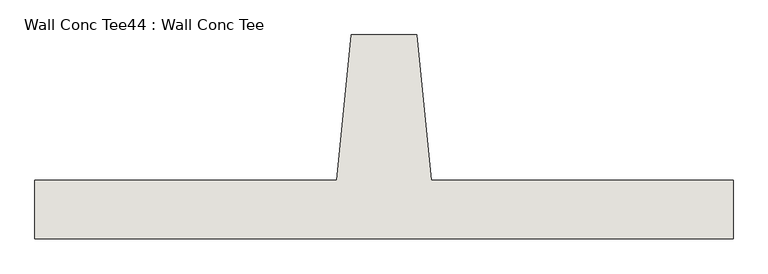
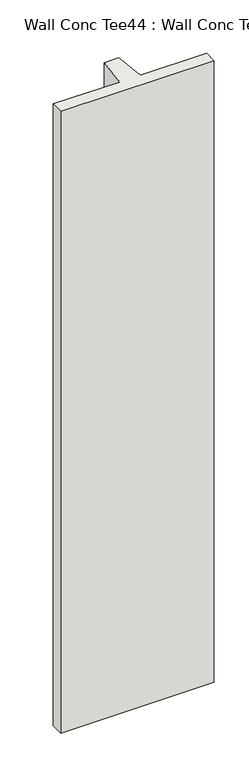
"""IFC4 building model written with IfcOpenShell, lengths in millimetres: wall geometry, Wall Conc Tee44 : Wall Conc Tee."""

import ifcopenshell
import ifcopenshell.guid

model = None  # the IFC model being written
_history = None  # IfcOwnerHistory: only IFC2X3 demands one
_inside = {}  # id of a spatial element -> (the spatial element, [elements in it])
_under = {}  # id of a project, library or spatial element -> (it, [spatial elements below it])
_declared = {}  # id of a project -> (the project, [libraries it declares])
_typed = {}  # id of a type object -> (the type object, [elements of that type])
_made_of = {}  # id of a material, layer set ... -> (it, [elements and type objects made of it])


def new_model(schema):
    """Start an empty IFC model of exactly this schema.

    Asked for "IFC4X3", IfcOpenShell would pick the latest addendum, in which some entities
    have other attributes; the version numbers below select the first issue.
    IFC2X3 requires an IfcOwnerHistory on every rooted entity: one is made here for all.
    """
    global model, _history
    if schema == "IFC4X3":
        model = ifcopenshell.file(schema_version=(4, 3, 0, 0))
    else:
        model = ifcopenshell.file(schema=schema)
    _inside.clear()
    _under.clear()
    _declared.clear()
    _typed.clear()
    _made_of.clear()
    _history = None
    if model.schema == "IFC2X3":
        org = make("IfcOrganization", Name="unknown")
        user = make(
            "IfcPersonAndOrganization",
            ThePerson=make("IfcPerson", FamilyName="unknown"),
            TheOrganization=org,
        )
        app = make(
            "IfcApplication",
            ApplicationDeveloper=org,
            Version="unknown",
            ApplicationFullName="unknown",
            ApplicationIdentifier="unknown",
        )
        _history = make(
            "IfcOwnerHistory",
            OwningUser=user,
            OwningApplication=app,
            ChangeAction="ADDED",
            CreationDate=0,
        )
    return model


def make(cls, **values):
    """One entity of the class cls with the attributes given. An attribute that is None is left unset."""
    return model.create_entity(
        cls, **{name: value for name, value in values.items() if value is not None}
    )


def rooted(cls, **values):
    """An entity with a GlobalId (a new one), such as an element, a storey or a relation."""
    return make(cls, GlobalId=ifcopenshell.guid.new(), OwnerHistory=_history, **values)


def si_unit(unit_type, name, prefix=None):
    """IfcSIUnit, for example si_unit("LENGTHUNIT", "METRE", prefix="MILLI")."""
    return make("IfcSIUnit", UnitType=unit_type, Prefix=prefix, Name=name)


def assignment(units):
    """IfcUnitAssignment: the units of a project."""
    return None if units is None else make("IfcUnitAssignment", Units=units)


def point(xyz):
    """IfcCartesianPoint."""
    return None if xyz is None else make("IfcCartesianPoint", Coordinates=xyz)


def direction(xyz):
    """IfcDirection."""
    return None if xyz is None else make("IfcDirection", DirectionRatios=xyz)


def frame(location, z_axis=None, x_axis=None):
    """IfcAxis2Placement3D, a coordinate frame: its origin and axes. An axis left out is left unset."""
    return make(
        "IfcAxis2Placement3D",
        Location=point(location),
        Axis=direction(z_axis),
        RefDirection=direction(x_axis),
    )


def origin():
    """The frame at (0, 0, 0) with its axes left unset."""
    return frame((0.0, 0.0, 0.0))


def place(relative_to, where):
    """IfcLocalPlacement: puts the frame where relative to a parent placement (None: the world)."""
    return make(
        "IfcLocalPlacement", PlacementRelTo=relative_to, RelativePlacement=where
    )


def context(
    kind, dimensions, precision=None, world=None, true_north=None, identifier=None
):
    """IfcGeometricRepresentationContext, for example the 3D "Model" context."""
    return make(
        "IfcGeometricRepresentationContext",
        ContextIdentifier=identifier,
        ContextType=kind,
        CoordinateSpaceDimension=dimensions,
        Precision=precision,
        WorldCoordinateSystem=world,
        TrueNorth=true_north,
    )


def project(units=None, contexts=None):
    """IfcProject with its units and contexts."""
    return rooted(
        "IfcProject",
        Name="project",
        RepresentationContexts=contexts,
        UnitsInContext=assignment(units),
    )


def spatial(cls, under=None, at=None, **own):
    """A site, building, storey or space (cls), placed at a placement, below another one or the project."""
    s = rooted(cls, ObjectPlacement=at, **own)
    if under is not None:
        _under.setdefault(under.id(), (under, []))[1].append(s)
    return s


def polyline(points):
    """IfcPolyline through the points."""
    return make("IfcPolyline", Points=[point(p) for p in points])


def outline(outer, holes=None, kind="AREA"):
    """IfcArbitraryClosedProfileDef: a profile drawn as a closed curve; with holes, ...WithVoids."""
    if holes is None:
        return make("IfcArbitraryClosedProfileDef", ProfileType=kind, OuterCurve=outer)
    return make(
        "IfcArbitraryProfileDefWithVoids",
        ProfileType=kind,
        OuterCurve=outer,
        InnerCurves=holes,
    )


def extrude(swept, where, along, depth):
    """IfcExtrudedAreaSolid: the profile swept, set in the frame where, extruded along a direction by depth."""
    return make(
        "IfcExtrudedAreaSolid",
        SweptArea=swept,
        Position=where,
        ExtrudedDirection=direction(along),
        Depth=depth,
    )


def shape(context_of_items, identifier, shape_type, items):
    """IfcShapeRepresentation: the items that make up one representation, for example the "Body"."""
    return make(
        "IfcShapeRepresentation",
        ContextOfItems=context_of_items,
        RepresentationIdentifier=identifier,
        RepresentationType=shape_type,
        Items=items,
    )


def source(mapping_origin, context_of_items, identifier, shape_type, items):
    """IfcRepresentationMap: a shape defined once, which mapped items show again and again."""
    return make(
        "IfcRepresentationMap",
        MappingOrigin=mapping_origin,
        MappedRepresentation=shape(context_of_items, identifier, shape_type, items),
    )


def transform(
    local_origin,
    x_axis=None,
    y_axis=None,
    z_axis=None,
    scale=None,
    scale2=None,
    scale3=None,
    uniform=True,
):
    """IfcCartesianTransformationOperator3D, or its non-uniform kind. x_axis, y_axis, z_axis: its Axis1, 2, 3."""
    if uniform:
        return make(
            "IfcCartesianTransformationOperator3D",
            Axis1=direction(x_axis),
            Axis2=direction(y_axis),
            LocalOrigin=point(local_origin),
            Scale=scale,
            Axis3=direction(z_axis),
        )
    return make(
        "IfcCartesianTransformationOperator3DnonUniform",
        Axis1=direction(x_axis),
        Axis2=direction(y_axis),
        LocalOrigin=point(local_origin),
        Scale=scale,
        Axis3=direction(z_axis),
        Scale2=scale2,
        Scale3=scale3,
    )


def mapped(mapping_source, mapping_target):
    """IfcMappedItem: shows the shape of a source again, moved by a transform."""
    return make(
        "IfcMappedItem", MappingSource=mapping_source, MappingTarget=mapping_target
    )


def made_of(thing, what):
    """Note that an element or type object is made of a material, layer set ...; save() writes the relation."""
    if what is not None:
        _made_of.setdefault(what.id(), (what, []))[1].append(thing)
    return thing


def element(
    cls,
    number,
    at=None,
    inside=None,
    cuts=None,
    type_object=None,
    material=None,
    context=None,
    identifier="Body",
    shape_type=None,
    held_by="IfcProductDefinitionShape",
    body=None,
    shapes=None,
    **own,
):
    """One element of the class cls, such as IfcWall. Its Tag is "e" and its number.

    at: its placement. inside: the storey or other place that contains it. cuts: it is an
    opening in that element (IfcRelVoidsElement). A single representation is given by context,
    identifier, shape_type and body (its items); several are given by shapes. held_by: the class
    of the entity that holds the representations. save() writes the other relations.
    """
    e = rooted(cls, Tag="e%d" % number, ObjectPlacement=at, **own)
    if body is not None:
        shapes = [shape(context, identifier, shape_type, body)]
    if shapes is not None:
        e.Representation = make(held_by, Representations=shapes)
    if inside is not None:
        _inside.setdefault(inside.id(), (inside, []))[1].append(e)
    if cuts is not None:
        rooted(
            "IfcRelVoidsElement", RelatingBuildingElement=cuts, RelatedOpeningElement=e
        )
    if type_object is not None:
        _typed.setdefault(type_object.id(), (type_object, []))[1].append(e)
    return made_of(e, material)


def aggregate(whole, parts):
    """IfcRelAggregates: a whole, such as a stair, and the parts it consists of."""
    return rooted("IfcRelAggregates", RelatingObject=whole, RelatedObjects=parts)


def save(model, path):
    """Write the relations noted so far, then the file.

    IfcRelAggregates (storeys below a building ...), IfcRelContainedInSpatialStructure (elements
    in a storey), IfcRelDefinesByType, IfcRelAssociatesMaterial and IfcRelDeclares: one each for
    every whole, place, type object, material and project.
    """
    for whole, parts in _under.values():
        aggregate(whole, parts)
    for where, things in _inside.values():
        rooted(
            "IfcRelContainedInSpatialStructure",
            RelatedElements=things,
            RelatingStructure=where,
        )
    for kind, things in _typed.values():
        rooted("IfcRelDefinesByType", RelatedObjects=things, RelatingType=kind)
    for what, things in _made_of.values():
        rooted("IfcRelAssociatesMaterial", RelatedObjects=things, RelatingMaterial=what)
    for by, libraries in _declared.values():
        rooted("IfcRelDeclares", RelatingContext=by, RelatedDefinitions=libraries)
    model.write(path)


def wall_conc_tee44_wall_conc_tee_4b21a77c(model_context):
    return source(origin(), model_context, "Body", "SweptSolid", [
        extrude(outline(polyline([(240653.0728488, 193104.2596581), (239433.8728488, 193104.2596581), (239433.8728488, 193205.8596581), (239960.9228488, 193205.8596581), (239986.3228488, 193459.8596581), (240100.6228488, 193459.8596581), (240126.0228488, 193205.8596581), (240653.0728488, 193205.8596581), (240653.0728488, 193104.2596581)])), frame((0.0, 0.0, 143.7592564), z_axis=(0.0, 0.0, 1.0), x_axis=(1.0, 0.0, 0.0)), (0.0, 0.0, 1.0), 5232.4087123),
    ])


if __name__ == "__main__":
    model = new_model("IFC4")
    model_context = context("Model", 3, world=origin())
    ifc_project = project(units=[si_unit("LENGTHUNIT", "METRE", prefix="MILLI")], contexts=[model_context])
    site = spatial("IfcSite", under=ifc_project)
    building = spatial("IfcBuilding", under=site)
    placement = place(None, origin())
    wall_conc_tee44_wall_conc_tee_shape = wall_conc_tee44_wall_conc_tee_4b21a77c(model_context)
    element("IfcWall", 1, ObjectType="Wall Conc Tee44 : Wall Conc Tee", at=placement, inside=building, context=model_context, shape_type="MappedRepresentation", body=[
        mapped(wall_conc_tee44_wall_conc_tee_shape, transform((0.0, 0.0, 0.0), x_axis=(1.0, 0.0, 0.0), y_axis=(0.0, 1.0, 0.0), z_axis=(0.0, 0.0, 1.0))),
    ])
    save(model, "model.ifc")
